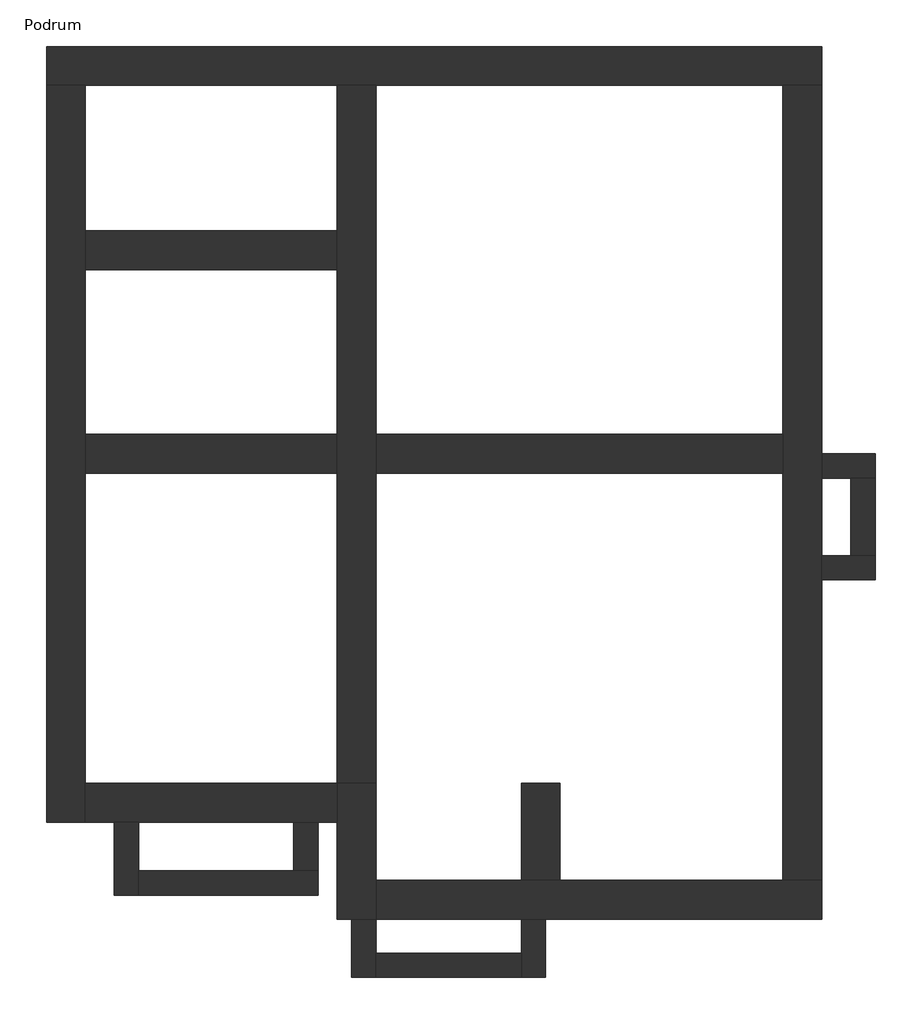
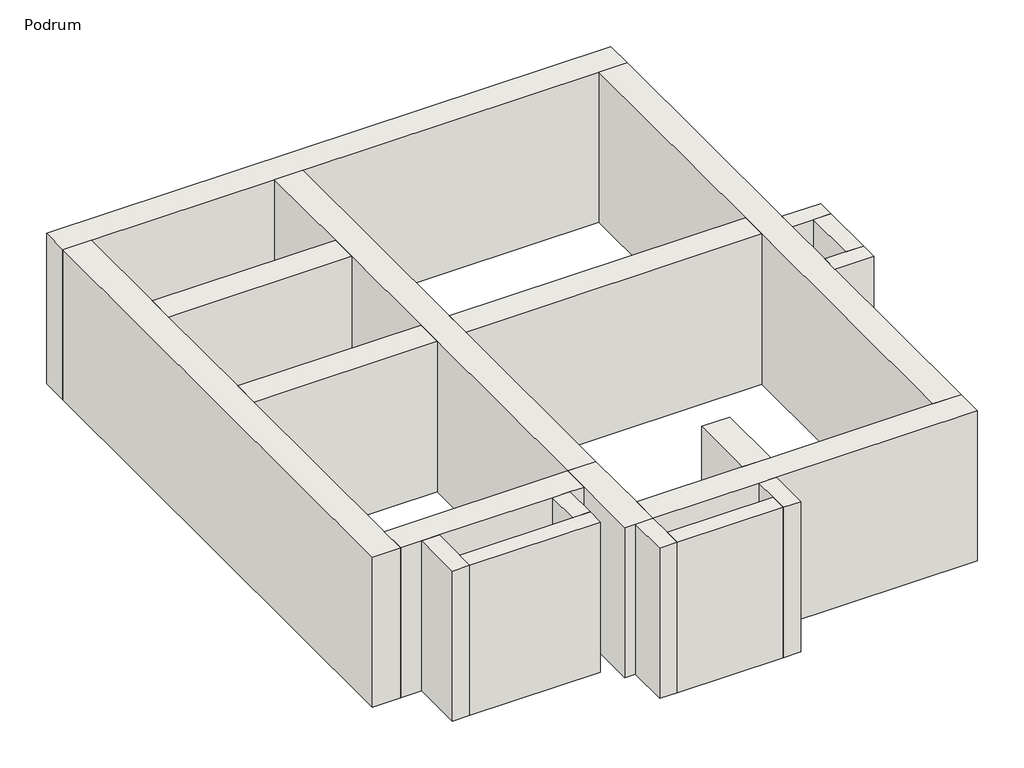
# One storey: 19 walls.
"""IFC4 building model written with IfcOpenShell, lengths in millimetres."""

from ifc_helpers import new_model, si_unit, frame, origin, place, context, project, spatial, polyline, outline, extrude, faceted_brep, element, save

model = new_model("IFC4")

# Units and contexts
model_context = context("Model", 3, world=origin())
ifc_project = project(units=[si_unit("LENGTHUNIT", "METRE", prefix="MILLI")], contexts=[model_context])

# Site, building, storey
site = spatial("IfcSite", under=ifc_project)
building = spatial("IfcBuilding", under=site)
storey = spatial("IfcBuildingStorey", under=building, Name="Podrum", Elevation=-1644.2283066)

# Walls
placement = place(None, origin())
element("IfcWall", 1, ObjectType="Podrum 25", at=placement, inside=storey, context=model_context, shape_type="SweptSolid", body=[
    extrude(outline(polyline([(24407.8462138, 8045.8278326), (24407.8462138, 8845.8278326), (24657.8462138, 8845.8278326), (24657.8462138, 8045.8278326), (24407.8462138, 8045.8278326)])), frame((0.0, 0.0, -1644.2283066), z_axis=(0.0, 0.0, 1.0), x_axis=(1.0, 0.0, 0.0)), (0.0, 0.0, 1.0), 2250.0),
])
element("IfcWall", 2, ObjectType="Podrum 25", at=placement, inside=storey, context=model_context, shape_type="Brep", body=[
    faceted_brep([(24107.8462138, 8845.8278326, -1644.2283066), (24407.8462138, 8845.8278326, -1644.2283066), (24657.8462138, 8845.8278326, -1644.2283066), (24657.8462138, 8845.8278326, 605.7716934), (24407.8462138, 8845.8278326, 605.7716934), (24107.8462138, 8845.8278326, 605.7716934), (24107.8462138, 9095.8278326, -1644.2283066), (24107.8462138, 9095.8278326, 605.7716934), (24657.8462138, 9095.8278326, 605.7716934), (24657.8462138, 9095.8278326, -1644.2283066)], [[[0, 1, 2, 3, 4, 5]], [[6, 7, 8, 9]], [[2, 1, 0, 6, 9]], [[5, 4, 3, 8, 7]], [[0, 5, 7, 6]], [[3, 2, 9, 8]]]),
])
element("IfcWall", 3, ObjectType="Podrum 25", at=placement, inside=storey, context=model_context, shape_type="Brep", body=[
    faceted_brep([(24657.8462138, 8045.8278326, -1644.2283066), (24407.8462138, 8045.8278326, -1644.2283066), (24107.8462138, 8045.8278326, -1644.2283066), (24107.8462138, 8045.8278326, 605.7716934), (24407.8462138, 8045.8278326, 605.7716934), (24657.8462138, 8045.8278326, 605.7716934), (24657.8462138, 7795.8278326, -1644.2283066), (24657.8462138, 7795.8278326, 605.7716934), (24107.8462138, 7795.8278326, 605.7716934), (24107.8462138, 7795.8278326, -1644.2283066)], [[[0, 1, 2, 3, 4, 5]], [[6, 7, 8, 9]], [[2, 1, 0, 6, 9]], [[5, 4, 3, 8, 7]], [[0, 5, 7, 6]], [[3, 2, 9, 8]]]),
])
element("IfcWall", 4, ObjectType="Podrum 25", at=placement, inside=storey, context=model_context, shape_type="Brep", body=[
    faceted_brep([(16807.8462138, 5295.8278326, -1644.2283066), (16807.8462138, 4545.8278326, -1644.2283066), (16807.8462138, 4545.8278326, 605.7716934), (16807.8462138, 5295.8278326, 605.7716934), (17057.8462138, 5295.8278326, -1644.2283066), (17057.8462138, 5295.8278326, 605.7716934), (17057.8462138, 4795.8278326, 605.7716934), (17057.8462138, 4545.8278326, 605.7716934), (17057.8462138, 4545.8278326, -1644.2283066), (17057.8462138, 4795.8278326, -1644.2283066)], [[[0, 1, 2, 3]], [[4, 5, 6, 7, 8, 9]], [[1, 0, 4, 9, 8]], [[3, 2, 7, 6, 5]], [[0, 3, 5, 4]], [[2, 1, 8, 7]]]),
])
element("IfcWall", 5, ObjectType="Podrum 25", at=placement, inside=storey, context=model_context, shape_type="Brep", body=[
    faceted_brep([(17057.8462138, 4545.8278326, -1644.2283066), (18907.8462138, 4545.8278326, -1644.2283066), (18907.8462138, 4545.8278326, 605.7716934), (17057.8462138, 4545.8278326, 605.7716934), (17057.8462138, 4795.8278326, -1644.2283066), (17057.8462138, 4795.8278326, 605.7716934), (18657.8462138, 4795.8278326, 605.7716934), (18907.8462138, 4795.8278326, 605.7716934), (18907.8462138, 4795.8278326, -1644.2283066), (18657.8462138, 4795.8278326, -1644.2283066)], [[[0, 1, 2, 3]], [[4, 5, 6, 7, 8, 9]], [[1, 0, 4, 9, 8]], [[3, 2, 7, 6, 5]], [[0, 3, 5, 4]], [[2, 1, 8, 7]]]),
])
element("IfcWall", 6, ObjectType="Podrum 25", at=placement, inside=storey, context=model_context, shape_type="SweptSolid", body=[
    extrude(outline(polyline([(18907.8462138, 5295.8278326), (18907.8462138, 4795.8278326), (18657.8462138, 4795.8278326), (18657.8462138, 5295.8278326), (18907.8462138, 5295.8278326)])), frame((0.0, 0.0, -1644.2283066), z_axis=(0.0, 0.0, 1.0), x_axis=(1.0, 0.0, 0.0)), (0.0, 0.0, 1.0), 2250.0),
])
element("IfcWall", 7, ObjectType="Podrum 25", at=placement, inside=storey, context=model_context, shape_type="Brep", body=[
    faceted_brep([(19257.8462138, 4295.8278326, -1644.2283066), (19257.8462138, 3695.8278326, -1644.2283066), (19257.8462138, 3695.8278326, 605.7716934), (19257.8462138, 4295.8278326, 605.7716934), (19507.8462138, 4295.8278326, -1644.2283066), (19507.8462138, 4295.8278326, 605.7716934), (19507.8462138, 3945.8278326, 605.7716934), (19507.8462138, 3695.8278326, 605.7716934), (19507.8462138, 3695.8278326, -1644.2283066), (19507.8462138, 3945.8278326, -1644.2283066)], [[[0, 1, 2, 3]], [[4, 5, 6, 7, 8, 9]], [[1, 0, 4, 9, 8]], [[3, 2, 7, 6, 5]], [[0, 3, 5, 4]], [[2, 1, 8, 7]]]),
])
element("IfcWall", 8, ObjectType="Podrum 25", at=placement, inside=storey, context=model_context, shape_type="SweptSolid", body=[
    extrude(outline(polyline([(21007.8462138, 3695.8278326), (19507.8462138, 3695.8278326), (19507.8462138, 3945.8278326), (21007.8462138, 3945.8278326), (21007.8462138, 3695.8278326)])), frame((0.0, 0.0, -1644.2283066), z_axis=(0.0, 0.0, 1.0), x_axis=(1.0, 0.0, 0.0)), (0.0, 0.0, 1.0), 2250.0),
])
element("IfcWall", 9, ObjectType="Podrum 25", at=placement, inside=storey, context=model_context, shape_type="Brep", body=[
    faceted_brep([(21257.8462138, 3695.8278326, -1644.2283066), (21257.8462138, 4295.8278326, -1644.2283066), (21257.8462138, 4295.8278326, 605.7716934), (21257.8462138, 3695.8278326, 605.7716934), (21007.8462138, 3695.8278326, -1644.2283066), (21007.8462138, 3695.8278326, 605.7716934), (21007.8462138, 3945.8278326, 605.7716934), (21007.8462138, 4295.8278326, 605.7716934), (21007.8462138, 4295.8278326, -1644.2283066), (21007.8462138, 3945.8278326, -1644.2283066)], [[[0, 1, 2, 3]], [[4, 5, 6, 7, 8, 9]], [[1, 0, 4, 9, 8]], [[3, 2, 7, 6, 5]], [[0, 3, 5, 4]], [[2, 1, 8, 7]]]),
])
element("IfcWall", 10, ObjectType="Podrum 40", at=placement, inside=storey, context=model_context, shape_type="Brep", body=[
    faceted_brep([(24107.8462138, 13295.8278326, -1644.2283066), (16107.8462138, 13295.8278326, -1644.2283066), (16107.8462138, 13295.8278326, 605.7716934), (24107.8462138, 13295.8278326, 605.7716934), (24107.8462138, 12895.8278326, -1644.2283066), (24107.8462138, 12895.8278326, 605.7716934), (23707.8462138, 12895.8278326, 605.7716934), (19507.8462138, 12895.8278326, 605.7716934), (19107.8462138, 12895.8278326, 605.7716934), (16507.8462138, 12895.8278326, 605.7716934), (16107.8462138, 12895.8278326, 605.7716934), (16107.8462138, 12895.8278326, -1644.2283066), (16507.8462138, 12895.8278326, -1644.2283066), (19107.8462138, 12895.8278326, -1644.2283066), (19507.8462138, 12895.8278326, -1644.2283066), (23707.8462138, 12895.8278326, -1644.2283066)], [[[0, 1, 2, 3]], [[4, 5, 6, 7, 8, 9, 10, 11, 12, 13, 14, 15]], [[1, 0, 4, 15, 14, 13, 12, 11]], [[3, 2, 10, 9, 8, 7, 6, 5]], [[2, 1, 11, 10]], [[0, 3, 5, 4]]]),
])
element("IfcWall", 11, ObjectType="Podrum 40", at=placement, inside=storey, context=model_context, shape_type="Brep", body=[
    faceted_brep([(16107.8462138, 12895.8278326, -1644.2283066), (16107.8462138, 5295.8278326, -1644.2283066), (16107.8462138, 5295.8278326, 605.7716934), (16107.8462138, 12895.8278326, 605.7716934), (16507.8462138, 12895.8278326, -1644.2283066), (16507.8462138, 12895.8278326, 605.7716934), (16507.8462138, 11395.8278326, 605.7716934), (16507.8462138, 10995.8278326, 605.7716934), (16507.8462138, 9295.8278326, 605.7716934), (16507.8462138, 8895.8278326, 605.7716934), (16507.8462138, 5695.8278326, 605.7716934), (16507.8462138, 5295.8278326, 605.7716934), (16507.8462138, 5295.8278326, -1644.2283066), (16507.8462138, 5695.8278326, -1644.2283066), (16507.8462138, 8895.8278326, -1644.2283066), (16507.8462138, 9295.8278326, -1644.2283066), (16507.8462138, 10995.8278326, -1644.2283066), (16507.8462138, 11395.8278326, -1644.2283066)], [[[0, 1, 2, 3]], [[4, 5, 6, 7, 8, 9, 10, 11, 12, 13, 14, 15, 16, 17]], [[1, 0, 4, 17, 16, 15, 14, 13, 12]], [[3, 2, 11, 10, 9, 8, 7, 6, 5]], [[0, 3, 5, 4]], [[2, 1, 12, 11]]]),
])
element("IfcWall", 12, ObjectType="Podrum 40", at=placement, inside=storey, context=model_context, shape_type="Brep", body=[
    faceted_brep([(16507.8462138, 5295.8278326, -1644.2283066), (16807.8462138, 5295.8278326, -1644.2283066), (17057.8462138, 5295.8278326, -1644.2283066), (18657.8462138, 5295.8278326, -1644.2283066), (18907.8462138, 5295.8278326, -1644.2283066), (19107.8462138, 5295.8278326, -1644.2283066), (19107.8462138, 5295.8278326, 605.7716934), (18907.8462138, 5295.8278326, 605.7716934), (18657.8462138, 5295.8278326, 605.7716934), (17057.8462138, 5295.8278326, 605.7716934), (16807.8462138, 5295.8278326, 605.7716934), (16507.8462138, 5295.8278326, 605.7716934), (16507.8462138, 5695.8278326, -1644.2283066), (16507.8462138, 5695.8278326, 605.7716934), (19107.8462138, 5695.8278326, 605.7716934), (19107.8462138, 5695.8278326, -1644.2283066)], [[[0, 1, 2, 3, 4, 5, 6, 7, 8, 9, 10, 11]], [[12, 13, 14, 15]], [[5, 4, 3, 2, 1, 0, 12, 15]], [[11, 10, 9, 8, 7, 6, 14, 13]], [[0, 11, 13, 12]], [[6, 5, 15, 14]]]),
])
element("IfcWall", 13, ObjectType="Podrum 40", at=placement, inside=storey, context=model_context, shape_type="Brep", body=[
    faceted_brep([(19107.8462138, 5695.8278326, -1644.2283066), (19107.8462138, 5295.8278326, -1644.2283066), (19107.8462138, 4295.8278326, -1644.2283066), (19107.8462138, 4295.8278326, 605.7716934), (19107.8462138, 5295.8278326, 605.7716934), (19107.8462138, 5695.8278326, 605.7716934), (19507.8462138, 5695.8278326, -1644.2283066), (19507.8462138, 5695.8278326, 605.7716934), (19507.8462138, 4695.8278326, 605.7716934), (19507.8462138, 4295.8278326, 605.7716934), (19507.8462138, 4295.8278326, -1644.2283066), (19507.8462138, 4695.8278326, -1644.2283066), (19257.8462138, 4295.8278326, -1644.2283066), (19257.8462138, 4295.8278326, 605.7716934)], [[[0, 1, 2, 3, 4, 5]], [[6, 7, 8, 9, 10, 11]], [[2, 1, 0, 6, 11, 10, 12]], [[5, 4, 3, 13, 9, 8, 7]], [[0, 5, 7, 6]], [[3, 2, 12, 10, 9, 13]]]),
])
element("IfcWall", 14, ObjectType="Podrum 40", at=placement, inside=storey, context=model_context, shape_type="Brep", body=[
    faceted_brep([(19507.8462138, 4295.8278326, -1644.2283066), (21007.8462138, 4295.8278326, -1644.2283066), (21257.8462138, 4295.8278326, -1644.2283066), (24107.8462138, 4295.8278326, -1644.2283066), (24107.8462138, 4295.8278326, 605.7716934), (21257.8462138, 4295.8278326, 605.7716934), (21007.8462138, 4295.8278326, 605.7716934), (19507.8462138, 4295.8278326, 605.7716934), (19507.8462138, 4695.8278326, -1644.2283066), (19507.8462138, 4695.8278326, 605.7716934), (21007.8462138, 4695.8278326, 605.7716934), (21407.8462138, 4695.8278326, 605.7716934), (23707.8462138, 4695.8278326, 605.7716934), (24107.8462138, 4695.8278326, 605.7716934), (24107.8462138, 4695.8278326, -1644.2283066), (23707.8462138, 4695.8278326, -1644.2283066), (21407.8462138, 4695.8278326, -1644.2283066), (21007.8462138, 4695.8278326, -1644.2283066)], [[[0, 1, 2, 3, 4, 5, 6, 7]], [[8, 9, 10, 11, 12, 13, 14, 15, 16, 17]], [[3, 2, 1, 0, 8, 17, 16, 15, 14]], [[7, 6, 5, 4, 13, 12, 11, 10, 9]], [[0, 7, 9, 8]], [[4, 3, 14, 13]]]),
])
element("IfcWall", 15, ObjectType="Podrum 40", at=placement, inside=storey, context=model_context, shape_type="Brep", body=[
    faceted_brep([(24107.8462138, 4695.8278326, -1644.2283066), (24107.8462138, 7795.8278326, -1644.2283066), (24107.8462138, 8045.8278326, -1644.2283066), (24107.8462138, 8845.8278326, -1644.2283066), (24107.8462138, 9095.8278326, -1644.2283066), (24107.8462138, 12895.8278326, -1644.2283066), (24107.8462138, 12895.8278326, 605.7716934), (24107.8462138, 9095.8278326, 605.7716934), (24107.8462138, 8845.8278326, 605.7716934), (24107.8462138, 8045.8278326, 605.7716934), (24107.8462138, 7795.8278326, 605.7716934), (24107.8462138, 4695.8278326, 605.7716934), (23707.8462138, 4695.8278326, -1644.2283066), (23707.8462138, 4695.8278326, 605.7716934), (23707.8462138, 8895.8278326, 605.7716934), (23707.8462138, 9295.8278326, 605.7716934), (23707.8462138, 12895.8278326, 605.7716934), (23707.8462138, 12895.8278326, -1644.2283066), (23707.8462138, 9295.8278326, -1644.2283066), (23707.8462138, 8895.8278326, -1644.2283066)], [[[0, 1, 2, 3, 4, 5, 6, 7, 8, 9, 10, 11]], [[12, 13, 14, 15, 16, 17, 18, 19]], [[5, 4, 3, 2, 1, 0, 12, 19, 18, 17]], [[11, 10, 9, 8, 7, 6, 16, 15, 14, 13]], [[6, 5, 17, 16]], [[0, 11, 13, 12]]]),
])
element("IfcWall", 16, ObjectType="Podrum 40", at=placement, inside=storey, context=model_context, shape_type="SweptSolid", body=[
    extrude(outline(polyline([(19107.8462138, 10995.8278326), (16507.8462138, 10995.8278326), (16507.8462138, 11395.8278326), (19107.8462138, 11395.8278326), (19107.8462138, 10995.8278326)])), frame((0.0, 0.0, -1644.2283066), z_axis=(0.0, 0.0, 1.0), x_axis=(1.0, 0.0, 0.0)), (0.0, 0.0, 1.0), 2250.0),
])
element("IfcWall", 17, ObjectType="Podrum 40", at=placement, inside=storey, context=model_context, shape_type="Brep", body=[
    faceted_brep([(19107.8462138, 12895.8278326, -1644.2283066), (19107.8462138, 11395.8278326, -1644.2283066), (19107.8462138, 10995.8278326, -1644.2283066), (19107.8462138, 9295.8278326, -1644.2283066), (19107.8462138, 8895.8278326, -1644.2283066), (19107.8462138, 5695.8278326, -1644.2283066), (19107.8462138, 5695.8278326, 605.7716934), (19107.8462138, 8895.8278326, 605.7716934), (19107.8462138, 9295.8278326, 605.7716934), (19107.8462138, 10995.8278326, 605.7716934), (19107.8462138, 11395.8278326, 605.7716934), (19107.8462138, 12895.8278326, 605.7716934), (19507.8462138, 12895.8278326, -1644.2283066), (19507.8462138, 12895.8278326, 605.7716934), (19507.8462138, 9295.8278326, 605.7716934), (19507.8462138, 8895.8278326, 605.7716934), (19507.8462138, 5695.8278326, 605.7716934), (19507.8462138, 5695.8278326, -1644.2283066), (19507.8462138, 8895.8278326, -1644.2283066), (19507.8462138, 9295.8278326, -1644.2283066)], [[[0, 1, 2, 3, 4, 5, 6, 7, 8, 9, 10, 11]], [[12, 13, 14, 15, 16, 17, 18, 19]], [[5, 4, 3, 2, 1, 0, 12, 19, 18, 17]], [[11, 10, 9, 8, 7, 6, 16, 15, 14, 13]], [[0, 11, 13, 12]], [[6, 5, 17, 16]]]),
])
element("IfcWall", 18, ObjectType="Podrum 40", at=placement, inside=storey, context=model_context, shape_type="SweptSolid", body=[
    extrude(outline(polyline([(16507.8462138, 8895.8278326), (16507.8462138, 9295.8278326), (19107.8462138, 9295.8278326), (19107.8462138, 8895.8278326), (16507.8462138, 8895.8278326)])), frame((0.0, 0.0, -1644.2283066), z_axis=(0.0, 0.0, 1.0), x_axis=(1.0, 0.0, 0.0)), (0.0, 0.0, 1.0), 2250.0),
    extrude(outline(polyline([(23707.8462138, 9295.8278326), (23707.8462138, 8895.8278326), (19507.8462138, 8895.8278326), (19507.8462138, 9295.8278326), (23707.8462138, 9295.8278326)])), frame((0.0, 0.0, -1644.2283066), z_axis=(0.0, 0.0, 1.0), x_axis=(1.0, 0.0, 0.0)), (0.0, 0.0, 1.0), 2250.0),
])
element("IfcWall", 19, ObjectType="Podrum 40", at=placement, inside=storey, context=model_context, shape_type="SweptSolid", body=[
    extrude(outline(polyline([(21407.8462138, 5695.8278326), (21407.8462138, 4695.8278326), (21007.8462138, 4695.8278326), (21007.8462138, 5695.8278326), (21407.8462138, 5695.8278326)])), frame((0.0, 0.0, -1644.2283066), z_axis=(0.0, 0.0, 1.0), x_axis=(1.0, 0.0, 0.0)), (0.0, 0.0, 1.0), 2250.0),
])

save(model, "model.ifc")
